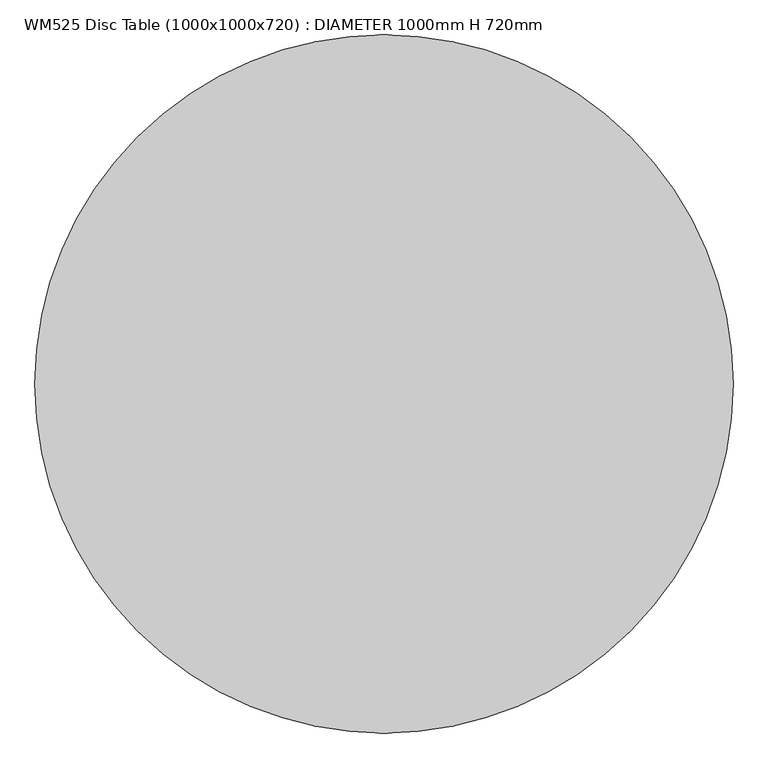
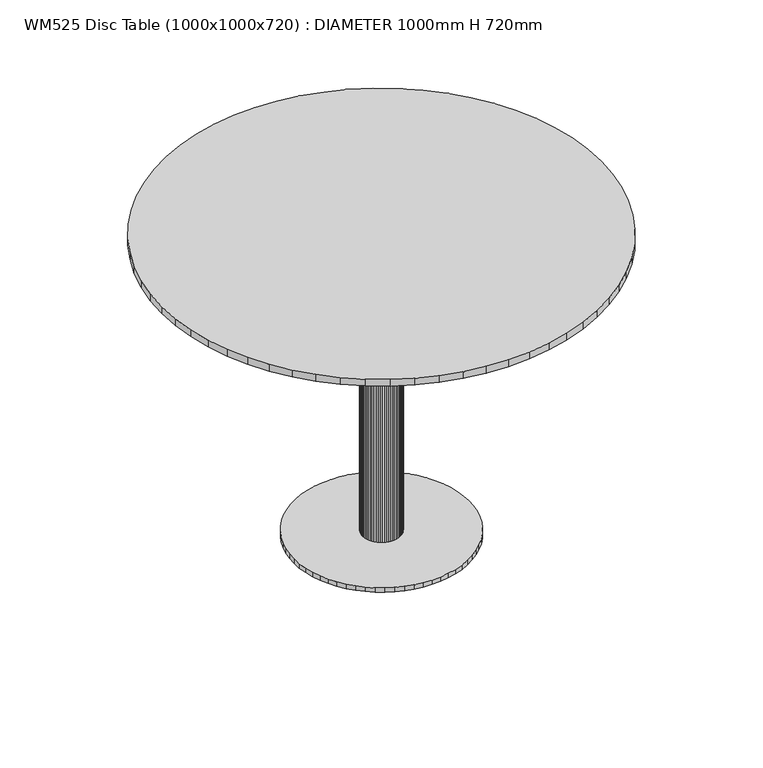
"""IFC4 building model written with IfcOpenShell, lengths in millimetres: furniture geometry, WM525 Disc Table (1000x1000x720) : DIAMETER 1000mm H 720mm."""

from ifc_helpers import new_model, si_unit, origin, place, context, project, spatial, triangles, source, transform, mapped, element, save


def wm525_disc_table_1000x1000x720_diameter_1000mm_h_720mm_466a0b91(model_context):
    return source(origin(), model_context, "Body", "Tessellation", [
        triangles([(41.9999981, -7.7000001, 4.5000001), (40.9000017, -11.7999997, 4.5000001), (39.5000008, -15.7999997, 4.5000001), (42.7999993, 0.8, 4.5000001), (37.6999994, -19.6999989, 4.5000001), (35.4999997, -23.2999995, 4.5000001), (30.1, -29.9000009, 4.5000001), (33.0000002, -26.7000009, 4.5000001), (27.0000008, -32.7000003, 4.5000001), (23.5999993, -35.3000006, 4.5000001), (16.0999995, -39.2999994, 4.5000001), (19.9000004, -37.3999996, 4.5000001), (12.0999995, -40.7000003, 4.5000001), (7.8999998, -41.6999983, 4.5000001), (-0.5, -42.5999979, 4.5000001), (3.7000001, -42.299998, 4.5000001), (-4.7000001, -42.299998, 4.5000001), (-8.9000001, -41.6999983, 4.5000001), (-17.0999998, -39.2999994, 4.5000001), (-13.0999998, -40.7000003, 4.5000001), (-20.9000006, -37.3999996, 4.5000001), (-24.5999996, -35.3000006, 4.5000001), (-31.1000003, -29.9000009, 4.5000001), (-28.000001, -32.7000003, 4.5000001), (-43.8000018, 0.8, 4.5000001), (-34.0000004, -26.7000009, 4.5000001), (-36.5, -23.2999995, 4.5000001), (-40.4999989, -15.7999997, 4.5000001), (-38.6999997, -19.6999989, 4.5000001), (-41.8999997, -11.7999997, 4.5000001), (-43.0000007, -7.7000001, 4.5000001), (-43.6000004, -3.5000001, 4.5000001), (-43.6000004, 5.0000003, 4.5000001), (-43.0000007, 9.2, 4.5000001), (-40.4999989, 17.3000001, 4.5000001), (-41.8999997, 13.3000001, 4.5000001), (-38.6999997, 21.2000005, 4.5000001), (-36.5, 24.800001, 4.5000001), (-31.1000003, 31.4000002, 4.5000001), (-34.0000004, 28.2000002, 4.5000001), (-0.5, 44.1000017, 4.5000001), (-28.000001, 34.1999996, 4.5000001), (-24.5999996, 36.7999999, 4.5000001), (-17.0999998, 40.7999987, 4.5000001), (-20.9000006, 38.9000011, 4.5000001), (-13.0999998, 42.1999996, 4.5000001), (-8.9000001, 43.2000021, 4.5000001), (-4.7000001, 43.8000018, 4.5000001), (3.7000001, 43.8000018, 4.5000001), (7.8999998, 43.2000021, 4.5000001), (16.0999995, 40.7999987, 4.5000001), (12.0999995, 42.1999996, 4.5000001), (19.9000004, 38.9000011, 4.5000001), (23.5999993, 36.7999999, 4.5000001), (30.1, 31.4000002, 4.5000001), (27.0000008, 34.1999996, 4.5000001), (33.0000002, 28.2000002, 4.5000001), (35.4999997, 24.800001, 4.5000001), (39.5000008, 17.3000001, 4.5000001), (37.6999994, 21.2000005, 4.5000001), (40.9000017, 13.3000001, 4.5000001), (41.9999981, 9.2, 4.5000001), (42.5999979, 5.0000003, 4.5000001), (42.5999979, -3.5000001, 4.5000001), (42.5999979, 5.0000003, 706.9000202), (42.7999993, 0.8, 706.9000202), (41.9999981, 9.2, 706.9000202), (40.9000017, 13.3000001, 706.9000202), (39.5000008, 17.3000001, 706.9000202), (37.6999994, 21.2000005, 706.9000202), (35.4999997, 24.800001, 706.9000202), (33.0000002, 28.2000002, 706.9000202), (30.1, 31.4000002, 706.9000202), (27.0000008, 34.1999996, 706.9000202), (23.5999993, 36.7999999, 706.9000202), (19.9000004, 38.9000011, 706.9000202), (16.0999995, 40.7999987, 706.9000202), (12.0999995, 42.1999996, 706.9000202), (7.8999998, 43.2000021, 706.9000202), (3.7000001, 43.8000018, 706.9000202), (-0.5, 44.1000017, 706.9000202), (-4.7000001, 43.8000018, 706.9000202), (-8.9000001, 43.2000021, 706.9000202), (-13.0999998, 42.1999996, 706.9000202), (-17.0999998, 40.7999987, 706.9000202), (-20.9000006, 38.9000011, 706.9000202), (-24.5999996, 36.7999999, 706.9000202), (-28.000001, 34.1999996, 706.9000202), (-31.1000003, 31.4000002, 706.9000202), (-34.0000004, 28.2000002, 706.9000202), (-36.5, 24.800001, 706.9000202), (-38.6999997, 21.2000005, 706.9000202), (-40.4999989, 17.3000001, 706.9000202), (-41.8999997, 13.3000001, 706.9000202), (-43.0000007, 9.2, 706.9000202), (-43.6000004, 5.0000003, 706.9000202), (-43.8000018, 0.8, 706.9000202), (-43.6000004, -3.5000001, 706.9000202), (-43.0000007, -7.7000001, 706.9000202), (-41.8999997, -11.7999997, 706.9000202), (-40.4999989, -15.7999997, 706.9000202), (-38.6999997, -19.6999989, 706.9000202), (-36.5, -23.2999995, 706.9000202), (-34.0000004, -26.7000009, 706.9000202), (-31.1000003, -29.9000009, 706.9000202), (-28.000001, -32.7000003, 706.9000202), (-24.5999996, -35.3000006, 706.9000202), (-20.9000006, -37.3999996, 706.9000202), (-17.0999998, -39.2999994, 706.9000202), (-13.0999998, -40.7000003, 706.9000202), (-8.9000001, -41.6999983, 706.9000202), (-4.7000001, -42.299998, 706.9000202), (-0.5, -42.5999979, 706.9000202), (3.7000001, -42.299998, 706.9000202), (7.8999998, -41.6999983, 706.9000202), (12.0999995, -40.7000003, 706.9000202), (16.0999995, -39.2999994, 706.9000202), (19.9000004, -37.3999996, 706.9000202), (23.5999993, -35.3000006, 706.9000202), (27.0000008, -32.7000003, 706.9000202), (30.1, -29.9000009, 706.9000202), (33.0000002, -26.7000009, 706.9000202), (35.4999997, -23.2999995, 706.9000202), (37.6999994, -19.6999989, 706.9000202), (39.5000008, -15.7999997, 706.9000202), (40.9000017, -11.7999997, 706.9000202), (41.9999981, -7.7000001, 706.9000202), (42.5999979, -3.5000001, 706.9000202), (194.9999979, -38.1, -1.2), (190.2000001, -57.0999985, -1.2), (183.6000033, -75.5000018, -1.2), (198.8000021, 0.8, -1.2), (175.3000012, -93.1999979, -1.2), (165.2, -109.999999, -1.2), (140.3999966, -140.1999998, -1.2), (153.5999994, -125.7000036, -1.2), (125.9000005, -153.2999996, -1.2), (110.1999959, -164.999994, -1.2), (75.8000017, -183.3999973, -1.2), (93.4999978, -175.0000013, -1.2), (57.3999984, -189.9999942, -1.2), (38.3999999, -194.699998, -1.2), (-0.5, -198.5999961, -1.2), (18.9999996, -197.6000027, -1.2), (-20.0000011, -197.6000027, -1.2), (-39.3999979, -194.699998, -1.2), (-76.7999997, -183.3999973, -1.2), (-58.4000009, -189.9999942, -1.2), (-94.5000004, -175.0000013, -1.2), (-111.1999985, -164.999994, -1.2), (-141.3999992, -140.1999998, -1.2), (-126.9000031, -153.2999996, -1.2), (-199.7999956, 0.8, -1.2), (-154.5999929, -125.7000036, -1.2), (-166.1999934, -109.999999, -1.2), (-184.5999968, -75.5000018, -1.2), (-176.2999947, -93.1999979, -1.2), (-191.1999936, -57.0999985, -1.2), (-195.9999913, -38.1, -1.2), (-198.899996, -18.8000005, -1.2), (-198.899996, 20.3000009, -1.2), (-195.9999913, 39.5999993, -1.2), (-184.5999968, 76.9999966, -1.2), (-191.1999936, 58.6000023, -1.2), (-176.2999947, 94.6999972, -1.2), (-166.1999934, 111.4999983, -1.2), (-141.3999992, 141.699999, -1.2), (-154.5999929, 127.2000029, -1.2), (-0.5, 200.0999954, -1.2), (-126.9000031, 154.7999989, -1.2), (-111.1999985, 166.4999933, -1.2), (-76.7999997, 184.8999966, -1.2), (-94.5000004, 176.5000006, -1.2), (-58.4000009, 191.4999935, -1.2), (-39.3999979, 196.1999973, -1.2), (-20.0000011, 199.100002, -1.2), (18.9999996, 199.100002, -1.2), (38.3999999, 196.1999973, -1.2), (75.8000017, 184.8999966, -1.2), (57.3999984, 191.4999935, -1.2), (93.4999978, 176.5000006, -1.2), (110.1999959, 166.4999933, -1.2), (140.3999966, 141.699999, -1.2), (125.9000005, 154.7999989, -1.2), (153.5999994, 127.2000029, -1.2), (165.2, 111.4999983, -1.2), (183.6000033, 76.9999966, -1.2), (175.3000012, 94.6999972, -1.2), (190.2000001, 58.6000023, -1.2), (194.9999979, 39.5999993, -1.2), (197.9000025, 20.3000009, -1.2), (197.9000025, -18.8000005, -1.2), (197.9000025, 20.3000009, 9.3000001), (198.8000021, 0.8, 9.3000001), (194.9999979, 39.5999993, 9.3000001), (190.2000001, 58.6000023, 9.3000001), (183.6000033, 76.9999966, 9.3000001), (175.3000012, 94.6999972, 9.3000001), (165.2, 111.4999983, 9.3000001), (153.5999994, 127.2000029, 9.3000001), (140.3999966, 141.699999, 9.3000001), (125.9000005, 154.7999989, 9.3000001), (110.1999959, 166.4999933, 9.3000001), (93.4999978, 176.5000006, 9.3000001), (75.8000017, 184.8999966, 9.3000001), (57.3999984, 191.4999935, 9.3000001), (38.3999999, 196.1999973, 9.3000001), (18.9999996, 199.100002, 9.3000001), (-0.5, 200.0999954, 9.3000001), (-20.0000011, 199.100002, 9.3000001), (-39.3999979, 196.1999973, 9.3000001), (-58.4000009, 191.4999935, 9.3000001), (-76.7999997, 184.8999966, 9.3000001), (-94.5000004, 176.5000006, 9.3000001), (-111.1999985, 166.4999933, 9.3000001), (-126.9000031, 154.7999989, 9.3000001), (-141.3999992, 141.699999, 9.3000001), (-154.5999929, 127.2000029, 9.3000001), (-166.1999934, 111.4999983, 9.3000001), (-176.2999947, 94.6999972, 9.3000001), (-184.5999968, 76.9999966, 9.3000001), (-191.1999936, 58.6000023, 9.3000001), (-195.9999913, 39.5999993, 9.3000001), (-198.899996, 20.3000009, 9.3000001), (-199.7999956, 0.8, 9.3000001), (-198.899996, -18.8000005, 9.3000001), (-195.9999913, -38.1, 9.3000001), (-191.1999936, -57.0999985, 9.3000001), (-184.5999968, -75.5000018, 9.3000001), (-176.2999947, -93.1999979, 9.3000001), (-166.1999934, -109.999999, 9.3000001), (-154.5999929, -125.7000036, 9.3000001), (-141.3999992, -140.1999998, 9.3000001), (-126.9000031, -153.2999996, 9.3000001), (-111.1999985, -164.999994, 9.3000001), (-94.5000004, -175.0000013, 9.3000001), (-76.7999997, -183.3999973, 9.3000001), (-58.4000009, -189.9999942, 9.3000001), (-39.3999979, -194.699998, 9.3000001), (-20.0000011, -197.6000027, 9.3000001), (-0.5, -198.5999961, 9.3000001), (18.9999996, -197.6000027, 9.3000001), (38.3999999, -194.699998, 9.3000001), (57.3999984, -189.9999942, 9.3000001), (75.8000017, -183.3999973, 9.3000001), (93.4999978, -175.0000013, 9.3000001), (110.1999959, -164.999994, 9.3000001), (125.9000005, -153.2999996, 9.3000001), (140.3999966, -140.1999998, 9.3000001), (153.5999994, -125.7000036, 9.3000001), (165.2, -109.999999, 9.3000001), (175.3000012, -93.1999979, 9.3000001), (183.6000033, -75.5000018, 9.3000001), (190.2000001, -57.0999985, 9.3000001), (194.9999979, -38.1, 9.3000001), (197.9000025, -18.8000005, 9.3000001)], [[1, 2, 3], [1, 3, 4], [3, 5, 6], [3, 6, 7], [6, 8, 7], [7, 9, 10], [7, 10, 11], [10, 12, 11], [11, 13, 14], [11, 14, 15], [14, 16, 15], [7, 11, 15], [7, 15, 4], [15, 17, 18], [15, 18, 19], [18, 20, 19], [19, 21, 22], [19, 22, 23], [22, 24, 23], [15, 19, 23], [15, 23, 25], [23, 26, 27], [23, 27, 28], [27, 29, 28], [28, 30, 31], [28, 31, 25], [31, 32, 25], [23, 28, 25], [25, 33, 34], [25, 34, 35], [34, 36, 35], [35, 37, 38], [35, 38, 39], [38, 40, 39], [25, 35, 39], [25, 39, 41], [39, 42, 43], [39, 43, 44], [43, 45, 44], [44, 46, 47], [44, 47, 41], [47, 48, 41], [39, 44, 41], [41, 49, 50], [41, 50, 51], [50, 52, 51], [51, 53, 54], [51, 54, 55], [54, 56, 55], [41, 51, 55], [41, 55, 4], [55, 57, 58], [55, 58, 59], [58, 60, 59], [59, 61, 62], [59, 62, 4], [62, 63, 4], [55, 59, 4], [25, 41, 4], [25, 4, 15], [3, 7, 4], [64, 1, 4], [4, 63, 65], [4, 65, 66], [63, 62, 67], [63, 67, 65], [62, 61, 68], [62, 68, 67], [61, 59, 69], [61, 69, 68], [59, 60, 70], [59, 70, 69], [60, 58, 71], [60, 71, 70], [58, 57, 72], [58, 72, 71], [57, 55, 73], [57, 73, 72], [55, 56, 74], [55, 74, 73], [56, 54, 75], [56, 75, 74], [54, 53, 76], [54, 76, 75], [53, 51, 77], [53, 77, 76], [51, 52, 78], [51, 78, 77], [52, 50, 79], [52, 79, 78], [50, 49, 80], [50, 80, 79], [49, 41, 81], [49, 81, 80], [41, 48, 82], [41, 82, 81], [48, 47, 83], [48, 83, 82], [47, 46, 84], [47, 84, 83], [46, 44, 85], [46, 85, 84], [44, 45, 86], [44, 86, 85], [45, 43, 87], [45, 87, 86], [43, 42, 88], [43, 88, 87], [42, 39, 89], [42, 89, 88], [39, 40, 90], [39, 90, 89], [40, 38, 91], [40, 91, 90], [38, 37, 92], [38, 92, 91], [37, 35, 93], [37, 93, 92], [35, 36, 94], [35, 94, 93], [36, 34, 95], [36, 95, 94], [34, 33, 96], [34, 96, 95], [33, 25, 97], [33, 97, 96], [25, 32, 98], [25, 98, 97], [32, 31, 99], [32, 99, 98], [31, 30, 100], [31, 100, 99], [30, 28, 101], [30, 101, 100], [28, 29, 102], [28, 102, 101], [29, 27, 103], [29, 103, 102], [27, 26, 104], [27, 104, 103], [26, 23, 105], [26, 105, 104], [23, 24, 106], [23, 106, 105], [24, 22, 107], [24, 107, 106], [22, 21, 108], [22, 108, 107], [21, 19, 109], [21, 109, 108], [19, 20, 110], [19, 110, 109], [20, 18, 111], [20, 111, 110], [18, 17, 112], [18, 112, 111], [17, 15, 113], [17, 113, 112], [15, 16, 114], [15, 114, 113], [16, 14, 115], [16, 115, 114], [14, 13, 116], [14, 116, 115], [13, 11, 117], [13, 117, 116], [11, 12, 118], [11, 118, 117], [12, 10, 119], [12, 119, 118], [10, 9, 120], [10, 120, 119], [9, 7, 121], [9, 121, 120], [7, 8, 122], [7, 122, 121], [8, 6, 123], [8, 123, 122], [6, 5, 124], [6, 124, 123], [5, 3, 125], [5, 125, 124], [3, 2, 126], [3, 126, 125], [2, 1, 127], [2, 127, 126], [1, 64, 128], [1, 128, 127], [64, 4, 66], [64, 66, 128], [66, 65, 67], [66, 67, 127], [67, 68, 69], [67, 69, 71], [69, 70, 71], [71, 72, 73], [71, 73, 75], [73, 74, 75], [75, 76, 77], [75, 77, 79], [77, 78, 79], [71, 75, 79], [71, 79, 127], [79, 80, 81], [79, 81, 83], [81, 82, 83], [83, 84, 85], [83, 85, 87], [85, 86, 87], [79, 83, 87], [79, 87, 95], [87, 88, 89], [87, 89, 91], [89, 90, 91], [91, 92, 93], [91, 93, 95], [93, 94, 95], [87, 91, 95], [95, 96, 97], [95, 97, 99], [97, 98, 99], [99, 100, 101], [99, 101, 103], [101, 102, 103], [95, 99, 103], [95, 103, 111], [103, 104, 105], [103, 105, 107], [105, 106, 107], [107, 108, 109], [107, 109, 111], [109, 110, 111], [103, 107, 111], [111, 112, 113], [111, 113, 115], [113, 114, 115], [115, 116, 117], [115, 117, 119], [117, 118, 119], [111, 115, 119], [111, 119, 127], [119, 120, 121], [119, 121, 123], [121, 122, 123], [123, 124, 125], [123, 125, 127], [125, 126, 127], [119, 123, 127], [95, 111, 127], [95, 127, 79], [67, 71, 127], [128, 66, 127], [129, 130, 131], [129, 131, 132], [131, 133, 134], [131, 134, 135], [134, 136, 135], [135, 137, 138], [135, 138, 139], [138, 140, 139], [139, 141, 142], [139, 142, 143], [142, 144, 143], [135, 139, 143], [135, 143, 132], [143, 145, 146], [143, 146, 147], [146, 148, 147], [147, 149, 150], [147, 150, 151], [150, 152, 151], [143, 147, 151], [143, 151, 153], [151, 154, 155], [151, 155, 156], [155, 157, 156], [156, 158, 159], [156, 159, 153], [159, 160, 153], [151, 156, 153], [153, 161, 162], [153, 162, 163], [162, 164, 163], [163, 165, 166], [163, 166, 167], [166, 168, 167], [153, 163, 167], [153, 167, 169], [167, 170, 171], [167, 171, 172], [171, 173, 172], [172, 174, 175], [172, 175, 169], [175, 176, 169], [167, 172, 169], [169, 177, 178], [169, 178, 179], [178, 180, 179], [179, 181, 182], [179, 182, 183], [182, 184, 183], [169, 179, 183], [169, 183, 132], [183, 185, 186], [183, 186, 187], [186, 188, 187], [187, 189, 190], [187, 190, 132], [190, 191, 132], [183, 187, 132], [153, 169, 132], [153, 132, 143], [131, 135, 132], [192, 129, 132], [132, 191, 193], [132, 193, 194], [191, 190, 195], [191, 195, 193], [190, 189, 196], [190, 196, 195], [189, 187, 197], [189, 197, 196], [187, 188, 198], [187, 198, 197], [188, 186, 199], [188, 199, 198], [186, 185, 200], [186, 200, 199], [185, 183, 201], [185, 201, 200], [183, 184, 202], [183, 202, 201], [184, 182, 203], [184, 203, 202], [182, 181, 204], [182, 204, 203], [181, 179, 205], [181, 205, 204], [179, 180, 206], [179, 206, 205], [180, 178, 207], [180, 207, 206], [178, 177, 208], [178, 208, 207], [177, 169, 209], [177, 209, 208], [169, 176, 210], [169, 210, 209], [176, 175, 211], [176, 211, 210], [175, 174, 212], [175, 212, 211], [174, 172, 213], [174, 213, 212], [172, 173, 214], [172, 214, 213], [173, 171, 215], [173, 215, 214], [171, 170, 216], [171, 216, 215], [170, 167, 217], [170, 217, 216], [167, 168, 218], [167, 218, 217], [168, 166, 219], [168, 219, 218], [166, 165, 220], [166, 220, 219], [165, 163, 221], [165, 221, 220], [163, 164, 222], [163, 222, 221], [164, 162, 223], [164, 223, 222], [162, 161, 224], [162, 224, 223], [161, 153, 225], [161, 225, 224], [153, 160, 226], [153, 226, 225], [160, 159, 227], [160, 227, 226], [159, 158, 228], [159, 228, 227], [158, 156, 229], [158, 229, 228], [156, 157, 230], [156, 230, 229], [157, 155, 231], [157, 231, 230], [155, 154, 232], [155, 232, 231], [154, 151, 233], [154, 233, 232], [151, 152, 234], [151, 234, 233], [152, 150, 235], [152, 235, 234], [150, 149, 236], [150, 236, 235], [149, 147, 237], [149, 237, 236], [147, 148, 238], [147, 238, 237], [148, 146, 239], [148, 239, 238], [146, 145, 240], [146, 240, 239], [145, 143, 241], [145, 241, 240], [143, 144, 242], [143, 242, 241], [144, 142, 243], [144, 243, 242], [142, 141, 244], [142, 244, 243], [141, 139, 245], [141, 245, 244], [139, 140, 246], [139, 246, 245], [140, 138, 247], [140, 247, 246], [138, 137, 248], [138, 248, 247], [137, 135, 249], [137, 249, 248], [135, 136, 250], [135, 250, 249], [136, 134, 251], [136, 251, 250], [134, 133, 252], [134, 252, 251], [133, 131, 253], [133, 253, 252], [131, 130, 254], [131, 254, 253], [130, 129, 255], [130, 255, 254], [129, 192, 256], [129, 256, 255], [192, 132, 194], [192, 194, 256], [194, 193, 195], [194, 195, 255], [195, 196, 197], [195, 197, 199], [197, 198, 199], [199, 200, 201], [199, 201, 203], [201, 202, 203], [203, 204, 205], [203, 205, 207], [205, 206, 207], [199, 203, 207], [199, 207, 255], [207, 208, 209], [207, 209, 211], [209, 210, 211], [211, 212, 213], [211, 213, 215], [213, 214, 215], [207, 211, 215], [207, 215, 223], [215, 216, 217], [215, 217, 219], [217, 218, 219], [219, 220, 221], [219, 221, 223], [221, 222, 223], [215, 219, 223], [223, 224, 225], [223, 225, 227], [225, 226, 227], [227, 228, 229], [227, 229, 231], [229, 230, 231], [223, 227, 231], [223, 231, 239], [231, 232, 233], [231, 233, 235], [233, 234, 235], [235, 236, 237], [235, 237, 239], [237, 238, 239], [231, 235, 239], [239, 240, 241], [239, 241, 243], [241, 242, 243], [243, 244, 245], [243, 245, 247], [245, 246, 247], [239, 243, 247], [239, 247, 255], [247, 248, 249], [247, 249, 251], [249, 250, 251], [251, 252, 253], [251, 253, 255], [253, 254, 255], [247, 251, 255], [223, 239, 255], [223, 255, 207], [195, 199, 255], [256, 194, 255]]),
        triangles([(489.9000026, -96.7999962, 704.9999908), (478.0000022, -144.3999978, 704.9999908), (461.399998, -190.5999939, 704.9999908), (499.499998, 0.8, 704.9999908), (440.5000019, -234.899997, 704.9999908), (415.1999837, -277.0000072, 704.9999908), (353.0999951, -352.8000134, 704.9999908), (385.9999855, -316.3999824, 704.9999908), (316.7000004, -385.7999977, 704.9999908), (277.3000071, -414.9999959, 704.9999908), (190.7999999, -461.2000102, 704.9999908), (235.1999969, -440.1999839, 704.9999908), (144.6000037, -477.6999842, 704.9999908), (97.0000022, -489.5999846, 704.9999908), (-0.5, -499.2000163, 704.9999908), (48.5000011, -496.8000175, 704.9999908), (-49.4999991, -496.8000175, 704.9999908), (-97.9999957, -489.5999846, 704.9999908), (-191.7999933, -461.2000102, 704.9999908), (-145.5999972, -477.6999842, 704.9999908), (-236.2000085, -440.1999839, 704.9999908), (-278.3000005, -414.9999959, 704.9999908), (-354.1000068, -352.8000134, 704.9999908), (-317.700012, -385.7999977, 704.9999908), (-500.5000096, 0.8, 704.9999908), (-386.9999971, -316.3999824, 704.9999908), (-416.1999953, -277.0000072, 704.9999908), (-462.4000096, -190.5999939, 704.9999908), (-441.5000135, -234.899997, 704.9999908), (-479.0000138, -144.3999978, 704.9999908), (-490.9000142, -96.7999962, 704.9999908), (-498.1000108, -48.2999997, 704.9999908), (-498.1000108, 49.799999, 704.9999908), (-490.9000142, 98.3000046, 704.9999908), (-462.4000096, 192.0999932, 704.9999908), (-479.0000138, 145.899997, 704.9999908), (-441.5000135, 236.3999963, 704.9999908), (-416.1999953, 278.5000065, 704.9999908), (-354.1000068, 354.2999946, 704.9999908), (-386.9999971, 317.8999998, 704.9999908), (-0.5, 500.7999913, 704.9999908), (-317.700012, 387.3000152, 704.9999908), (-278.3000005, 416.5000134, 704.9999908), (-191.7999933, 462.6999913, 704.9999908), (-236.2000085, 441.7000013, 704.9999908), (-145.5999972, 479.2000016, 704.9999908), (-97.9999957, 491.100002, 704.9999908), (-49.4999991, 498.2999986, 704.9999908), (48.5000011, 498.2999986, 704.9999908), (97.0000022, 491.100002, 704.9999908), (190.7999999, 462.6999913, 704.9999908), (144.6000037, 479.2000016, 704.9999908), (235.1999969, 441.7000013, 704.9999908), (277.3000071, 416.5000134, 704.9999908), (353.0999951, 354.2999946, 704.9999908), (316.7000004, 387.3000152, 704.9999908), (385.9999855, 317.8999998, 704.9999908), (415.1999837, 278.5000065, 704.9999908), (461.399998, 192.0999932, 704.9999908), (440.5000019, 236.3999963, 704.9999908), (478.0000022, 145.899997, 704.9999908), (489.9000026, 98.3000046, 704.9999908), (497.0999991, 49.799999, 704.9999908), (497.0999991, -48.2999997, 704.9999908), (497.0999991, 49.799999, 721.0000317), (499.499998, 0.8, 721.0000317), (489.9000026, 98.3000046, 721.0000317), (478.0000022, 145.899997, 721.0000317), (461.399998, 192.0999932, 721.0000317), (440.5000019, 236.3999963, 721.0000317), (415.1999837, 278.5000065, 721.0000317), (385.9999855, 317.8999998, 721.0000317), (353.0999951, 354.2999946, 721.0000317), (316.7000004, 387.3000152, 721.0000317), (277.3000071, 416.5000134, 721.0000317), (235.1999969, 441.7000013, 721.0000317), (190.7999999, 462.6999913, 721.0000317), (144.6000037, 479.2000016, 721.0000317), (97.0000022, 491.100002, 721.0000317), (48.5000011, 498.2999986, 721.0000317), (-0.5, 500.7999913, 721.0000317), (-49.4999991, 498.2999986, 721.0000317), (-97.9999957, 491.100002, 721.0000317), (-145.5999972, 479.2000016, 721.0000317), (-191.7999933, 462.6999913, 721.0000317), (-236.2000085, 441.7000013, 721.0000317), (-278.3000005, 416.5000134, 721.0000317), (-317.700012, 387.3000152, 721.0000317), (-354.1000068, 354.2999946, 721.0000317), (-386.9999971, 317.8999998, 721.0000317), (-416.1999953, 278.5000065, 721.0000317), (-441.5000135, 236.3999963, 721.0000317), (-462.4000096, 192.0999932, 721.0000317), (-479.0000138, 145.899997, 721.0000317), (-490.9000142, 98.3000046, 721.0000317), (-498.1000108, 49.799999, 721.0000317), (-500.5000096, 0.8, 721.0000317), (-498.1000108, -48.2999997, 721.0000317), (-490.9000142, -96.7999962, 721.0000317), (-479.0000138, -144.3999978, 721.0000317), (-462.4000096, -190.5999939, 721.0000317), (-441.5000135, -234.899997, 721.0000317), (-416.1999953, -277.0000072, 721.0000317), (-386.9999971, -316.3999824, 721.0000317), (-354.1000068, -352.8000134, 721.0000317), (-317.700012, -385.7999977, 721.0000317), (-278.3000005, -414.9999959, 721.0000317), (-236.2000085, -440.1999839, 721.0000317), (-191.7999933, -461.2000102, 721.0000317), (-145.5999972, -477.6999842, 721.0000317), (-97.9999957, -489.5999846, 721.0000317), (-49.4999991, -496.8000175, 721.0000317), (-0.5, -499.2000163, 721.0000317), (48.5000011, -496.8000175, 721.0000317), (97.0000022, -489.5999846, 721.0000317), (144.6000037, -477.6999842, 721.0000317), (190.7999999, -461.2000102, 721.0000317), (235.1999969, -440.1999839, 721.0000317), (277.3000071, -414.9999959, 721.0000317), (316.7000004, -385.7999977, 721.0000317), (353.0999951, -352.8000134, 721.0000317), (385.9999855, -316.3999824, 721.0000317), (415.1999837, -277.0000072, 721.0000317), (440.5000019, -234.899997, 721.0000317), (461.399998, -190.5999939, 721.0000317), (478.0000022, -144.3999978, 721.0000317), (489.9000026, -96.7999962, 721.0000317), (497.0999991, -48.2999997, 721.0000317)], [[1, 2, 3], [1, 3, 4], [3, 5, 6], [3, 6, 7], [6, 8, 7], [7, 9, 10], [7, 10, 11], [10, 12, 11], [11, 13, 14], [11, 14, 15], [14, 16, 15], [7, 11, 15], [7, 15, 4], [15, 17, 18], [15, 18, 19], [18, 20, 19], [19, 21, 22], [19, 22, 23], [22, 24, 23], [15, 19, 23], [15, 23, 25], [23, 26, 27], [23, 27, 28], [27, 29, 28], [28, 30, 31], [28, 31, 25], [31, 32, 25], [23, 28, 25], [25, 33, 34], [25, 34, 35], [34, 36, 35], [35, 37, 38], [35, 38, 39], [38, 40, 39], [25, 35, 39], [25, 39, 41], [39, 42, 43], [39, 43, 44], [43, 45, 44], [44, 46, 47], [44, 47, 41], [47, 48, 41], [39, 44, 41], [41, 49, 50], [41, 50, 51], [50, 52, 51], [51, 53, 54], [51, 54, 55], [54, 56, 55], [41, 51, 55], [41, 55, 4], [55, 57, 58], [55, 58, 59], [58, 60, 59], [59, 61, 62], [59, 62, 4], [62, 63, 4], [55, 59, 4], [25, 41, 4], [25, 4, 15], [3, 7, 4], [64, 1, 4], [4, 63, 65], [4, 65, 66], [63, 62, 67], [63, 67, 65], [62, 61, 68], [62, 68, 67], [61, 59, 69], [61, 69, 68], [59, 60, 70], [59, 70, 69], [60, 58, 71], [60, 71, 70], [58, 57, 72], [58, 72, 71], [57, 55, 73], [57, 73, 72], [55, 56, 74], [55, 74, 73], [56, 54, 75], [56, 75, 74], [54, 53, 76], [54, 76, 75], [53, 51, 77], [53, 77, 76], [51, 52, 78], [51, 78, 77], [52, 50, 79], [52, 79, 78], [50, 49, 80], [50, 80, 79], [49, 41, 81], [49, 81, 80], [41, 48, 82], [41, 82, 81], [48, 47, 83], [48, 83, 82], [47, 46, 84], [47, 84, 83], [46, 44, 85], [46, 85, 84], [44, 45, 86], [44, 86, 85], [45, 43, 87], [45, 87, 86], [43, 42, 88], [43, 88, 87], [42, 39, 89], [42, 89, 88], [39, 40, 90], [39, 90, 89], [40, 38, 91], [40, 91, 90], [38, 37, 92], [38, 92, 91], [37, 35, 93], [37, 93, 92], [35, 36, 94], [35, 94, 93], [36, 34, 95], [36, 95, 94], [34, 33, 96], [34, 96, 95], [33, 25, 97], [33, 97, 96], [25, 32, 98], [25, 98, 97], [32, 31, 99], [32, 99, 98], [31, 30, 100], [31, 100, 99], [30, 28, 101], [30, 101, 100], [28, 29, 102], [28, 102, 101], [29, 27, 103], [29, 103, 102], [27, 26, 104], [27, 104, 103], [26, 23, 105], [26, 105, 104], [23, 24, 106], [23, 106, 105], [24, 22, 107], [24, 107, 106], [22, 21, 108], [22, 108, 107], [21, 19, 109], [21, 109, 108], [19, 20, 110], [19, 110, 109], [20, 18, 111], [20, 111, 110], [18, 17, 112], [18, 112, 111], [17, 15, 113], [17, 113, 112], [15, 16, 114], [15, 114, 113], [16, 14, 115], [16, 115, 114], [14, 13, 116], [14, 116, 115], [13, 11, 117], [13, 117, 116], [11, 12, 118], [11, 118, 117], [12, 10, 119], [12, 119, 118], [10, 9, 120], [10, 120, 119], [9, 7, 121], [9, 121, 120], [7, 8, 122], [7, 122, 121], [8, 6, 123], [8, 123, 122], [6, 5, 124], [6, 124, 123], [5, 3, 125], [5, 125, 124], [3, 2, 126], [3, 126, 125], [2, 1, 127], [2, 127, 126], [1, 64, 128], [1, 128, 127], [64, 4, 66], [64, 66, 128], [66, 65, 67], [66, 67, 127], [67, 68, 69], [67, 69, 71], [69, 70, 71], [71, 72, 73], [71, 73, 75], [73, 74, 75], [75, 76, 77], [75, 77, 79], [77, 78, 79], [71, 75, 79], [71, 79, 127], [79, 80, 81], [79, 81, 83], [81, 82, 83], [83, 84, 85], [83, 85, 87], [85, 86, 87], [79, 83, 87], [79, 87, 95], [87, 88, 89], [87, 89, 91], [89, 90, 91], [91, 92, 93], [91, 93, 95], [93, 94, 95], [87, 91, 95], [95, 96, 97], [95, 97, 99], [97, 98, 99], [99, 100, 101], [99, 101, 103], [101, 102, 103], [95, 99, 103], [95, 103, 111], [103, 104, 105], [103, 105, 107], [105, 106, 107], [107, 108, 109], [107, 109, 111], [109, 110, 111], [103, 107, 111], [111, 112, 113], [111, 113, 115], [113, 114, 115], [115, 116, 117], [115, 117, 119], [117, 118, 119], [111, 115, 119], [111, 119, 127], [119, 120, 121], [119, 121, 123], [121, 122, 123], [123, 124, 125], [123, 125, 127], [125, 126, 127], [119, 123, 127], [95, 111, 127], [95, 127, 79], [67, 71, 127], [128, 66, 127]]),
    ])


if __name__ == "__main__":
    model = new_model("IFC4")
    model_context = context("Model", 3, world=origin())
    ifc_project = project(units=[si_unit("LENGTHUNIT", "METRE", prefix="MILLI")], contexts=[model_context])
    site = spatial("IfcSite", under=ifc_project)
    building = spatial("IfcBuilding", under=site)
    placement = place(None, origin())
    wm525_disc_table_1000x1000x720_diameter_1000mm_h_720mm_shape = wm525_disc_table_1000x1000x720_diameter_1000mm_h_720mm_466a0b91(model_context)
    element("IfcFurniture", 1, ObjectType="WM525 Disc Table (1000x1000x720) : DIAMETER 1000mm H 720mm", at=placement, inside=building, context=model_context, shape_type="MappedRepresentation", body=[
        mapped(wm525_disc_table_1000x1000x720_diameter_1000mm_h_720mm_shape, transform((0.0, 0.0, 0.0), x_axis=(1.0, 0.0, 0.0), y_axis=(0.0, 1.0, 0.0), z_axis=(0.0, 0.0, 1.0))),
    ])
    save(model, "model.ifc")
